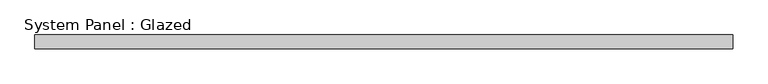
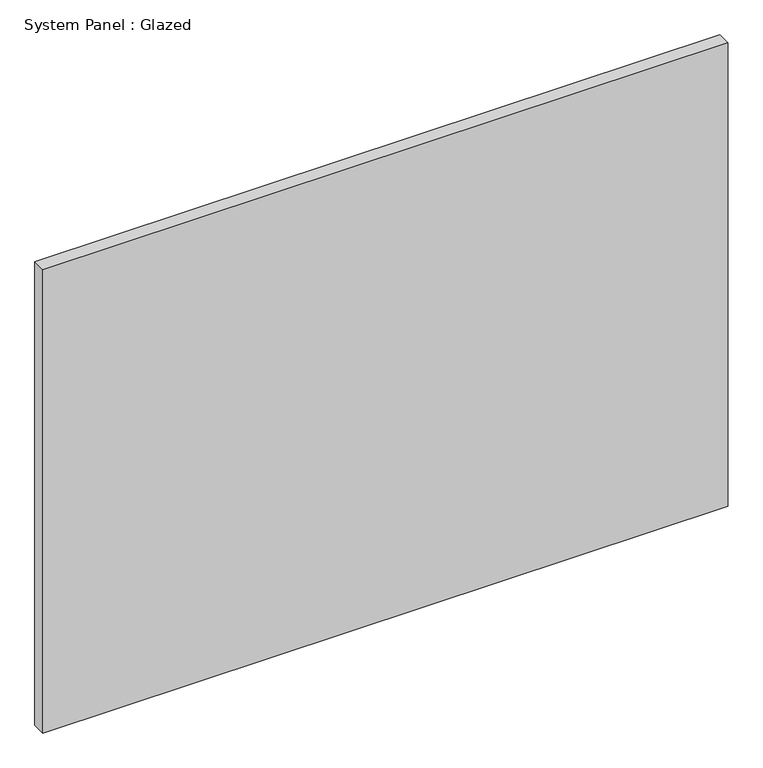
"""IFC4 building model written with IfcOpenShell, lengths in millimetres: plate geometry, System Panel : Glazed."""

from ifc_helpers import new_model, si_unit, origin, origin_with_axes, place, context, project, spatial, polyline, outline, extrude, source, transform, mapped, element, save


def system_panel_glazed_9a3dab49(model_context):
    return source(origin(), model_context, "Body", "SweptSolid", [
        extrude(outline(polyline([(622.7, 24.5), (-622.7, 24.5), (-622.7, 49.5), (622.7, 49.5), (622.7, 24.5)])), origin_with_axes(), (0.0, 0.0, 1.0), 889.8),
    ])


if __name__ == "__main__":
    model = new_model("IFC4")
    model_context = context("Model", 3, world=origin())
    ifc_project = project(units=[si_unit("LENGTHUNIT", "METRE", prefix="MILLI")], contexts=[model_context])
    site = spatial("IfcSite", under=ifc_project)
    building = spatial("IfcBuilding", under=site)
    placement = place(None, origin())
    system_panel_glazed_shape = system_panel_glazed_9a3dab49(model_context)
    element("IfcPlate", 1, ObjectType="System Panel : Glazed", at=placement, inside=building, context=model_context, shape_type="MappedRepresentation", body=[
        mapped(system_panel_glazed_shape, transform((0.0, 0.0, 0.0), x_axis=(1.0, 0.0, 0.0), y_axis=(0.0, 1.0, 0.0), z_axis=(0.0, 0.0, 1.0))),
    ])
    save(model, "model.ifc")
